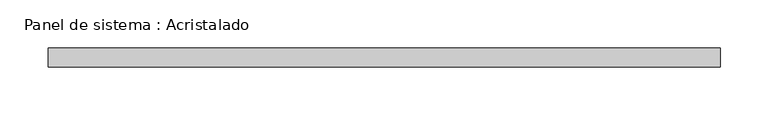
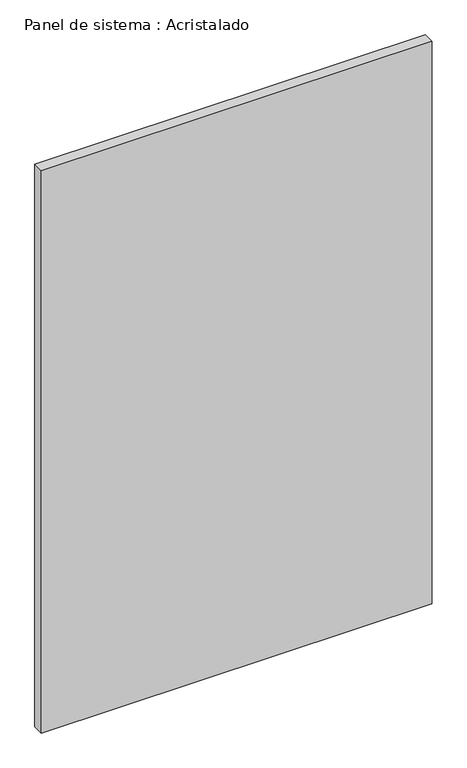
"""IFC4 building model written with IfcOpenShell, lengths in millimetres: plate geometry, Panel de sistema : Acristalado."""

from ifc_helpers import new_model, si_unit, origin, origin_with_axes, place, context, project, spatial, polyline, outline, extrude, source, transform, mapped, element, save


def panel_de_sistema_acristalado_14eb61b7(model_context):
    return source(origin(), model_context, "Body", "SweptSolid", [
        extrude(outline(polyline([(350.0, -10.0), (-350.0, -10.0), (-350.0, 10.0), (350.0, 10.0), (350.0, -10.0)])), origin_with_axes(), (0.0, 0.0, 1.0), 1065.0),
    ])


if __name__ == "__main__":
    model = new_model("IFC4")
    model_context = context("Model", 3, world=origin())
    ifc_project = project(units=[si_unit("LENGTHUNIT", "METRE", prefix="MILLI")], contexts=[model_context])
    site = spatial("IfcSite", under=ifc_project)
    building = spatial("IfcBuilding", under=site)
    placement = place(None, origin())
    panel_de_sistema_acristalado_shape = panel_de_sistema_acristalado_14eb61b7(model_context)
    element("IfcPlate", 1, ObjectType="Panel de sistema : Acristalado", at=placement, inside=building, context=model_context, shape_type="MappedRepresentation", body=[
        mapped(panel_de_sistema_acristalado_shape, transform((0.0, 0.0, 0.0), x_axis=(1.0, 0.0, 0.0), y_axis=(0.0, 1.0, 0.0), z_axis=(0.0, 0.0, 1.0))),
    ])
    save(model, "model.ifc")
